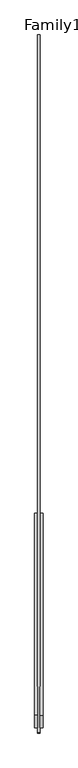
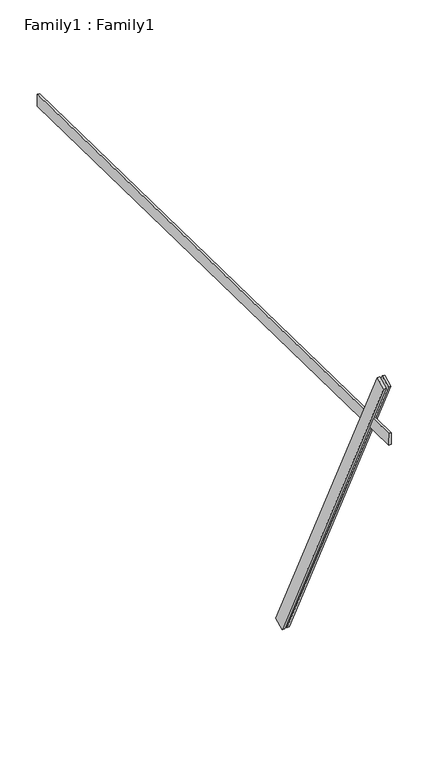
"""IFC4 building model written with IfcOpenShell, lengths in millimetres: proxy geometry, Family1 : Family1."""

from ifc_helpers import new_model, si_unit, frame, origin, place, context, project, spatial, polyline, outline, extrude, source, transform, mapped, element, save


def family1_family1_77127115(model_context):
    return source(origin(), model_context, "Body", "SweptSolid", [
        extrude(outline(polyline([(0.0, 0.0), (-100.0000001, 0.0), (-100.0000001, 20.0), (0.0, 20.0), (0.0, 0.0)])), frame((-30.0, -46.3241747, -22.5938096), z_axis=(0.0, -0.4383711467890692, 0.8987940462991711), x_axis=(0.0, -0.8987940462991711, -0.4383711467890692)), (0.0, 0.0, 1.0), 3300.0),
        extrude(outline(polyline([(0.0, 0.0), (-99.9999999, 0.0), (-99.9999999, 20.0), (0.0, 20.0), (0.0, 0.0)])), frame((10.0, -45.270232, -22.0797674), z_axis=(0.0, -0.4383711467890692, 0.8987940462991711), x_axis=(0.0, -0.8987940462991711, -0.4383711467890692)), (0.0, 0.0, 1.0), 3300.0),
        extrude(outline(polyline([(0.0, 20.0), (5000.0, 20.0), (5000.0, 0.0), (0.0, 0.0), (0.0, 20.0)])), frame((-10.0, 3469.2350548, 2384.634959), z_axis=(0.0, 0.01745240643728091, 0.9998476951563914), x_axis=(0.0, -0.9998476951563914, 0.01745240643728091)), (0.0, 0.0, 1.0), 100.0),
    ])


if __name__ == "__main__":
    model = new_model("IFC4")
    model_context = context("Model", 3, world=origin())
    ifc_project = project(units=[si_unit("LENGTHUNIT", "METRE", prefix="MILLI")], contexts=[model_context])
    site = spatial("IfcSite", under=ifc_project)
    building = spatial("IfcBuilding", under=site)
    placement = place(None, origin())
    family1_family1_shape = family1_family1_77127115(model_context)
    element("IfcBuildingElementProxy", 1, Name="Family1 : Family1", ObjectType="Family1 : Family1", at=placement, inside=building, context=model_context, shape_type="MappedRepresentation", body=[
        mapped(family1_family1_shape, transform((0.0, 0.0, 0.0), x_axis=(1.0, 0.0, 0.0), y_axis=(0.0, 1.0, 0.0), z_axis=(0.0, 0.0, 1.0))),
    ])
    save(model, "model.ifc")
